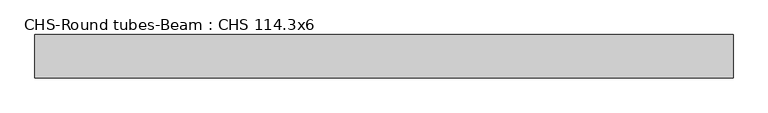
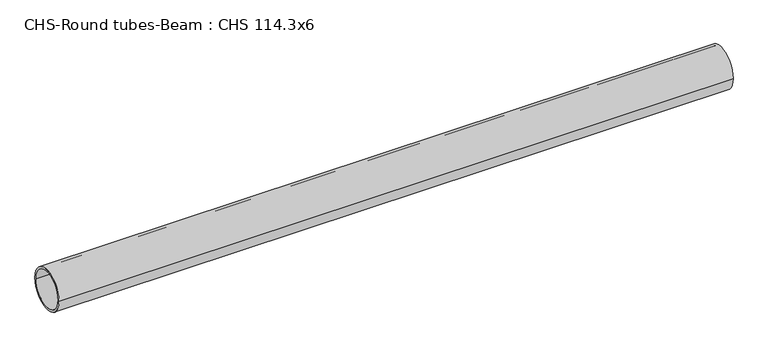
"""IFC4 building model written with IfcOpenShell, lengths in millimetres: beam geometry, CHS-Round tubes-Beam : CHS 114.3x6."""

from ifc_helpers import new_model, si_unit, point, frame, origin, origin_2d, place, context, project, spatial, circle_curve, trimmed, segment, composite_curve, outline, extrude, source, transform, mapped, element, save


def chs_round_tubes_beam_chs_114_3x6_117a06b0(model_context):
    return source(origin(), model_context, "Body", "SweptSolid", [
        extrude(outline(composite_curve([segment(trimmed(circle_curve(origin_2d(), 57.15), [point((57.15, 0.0))], [point((-57.15, 0.0))], False, "CARTESIAN"), True, "CONTINUOUS"), segment(trimmed(circle_curve(origin_2d(), 57.15), [point((-57.15, 0.0))], [point((57.15, 0.0))], False, "CARTESIAN"), True, "CONTINUOUS")], self_intersect=False), holes=[composite_curve([segment(trimmed(circle_curve(origin_2d(), 51.15), [point((51.15, 0.0))], [point((-51.15, 0.0))], True, "CARTESIAN"), True, "CONTINUOUS"), segment(trimmed(circle_curve(origin_2d(), 51.15), [point((-51.15, 0.0))], [point((51.15, 0.0))], True, "CARTESIAN"), True, "CONTINUOUS")], self_intersect=False)]), frame((-931.1155955, 0.0, 0.0), z_axis=(1.0, 0.0, 0.0), x_axis=(0.0, 1.0, 0.0)), (0.0, 0.0, 1.0), 1846.6892708),
    ])


if __name__ == "__main__":
    model = new_model("IFC4")
    model_context = context("Model", 3, world=origin())
    ifc_project = project(units=[si_unit("LENGTHUNIT", "METRE", prefix="MILLI")], contexts=[model_context])
    site = spatial("IfcSite", under=ifc_project)
    building = spatial("IfcBuilding", under=site)
    placement = place(None, origin())
    chs_round_tubes_beam_chs_114_3x6_shape = chs_round_tubes_beam_chs_114_3x6_117a06b0(model_context)
    element("IfcBeam", 1, ObjectType="CHS-Round tubes-Beam : CHS 114.3x6", at=placement, inside=building, context=model_context, shape_type="MappedRepresentation", body=[
        mapped(chs_round_tubes_beam_chs_114_3x6_shape, transform((0.0, 0.0, 0.0), x_axis=(1.0, 0.0, 0.0), y_axis=(0.0, 1.0, 0.0), z_axis=(0.0, 0.0, 1.0))),
    ])
    save(model, "model.ifc")
